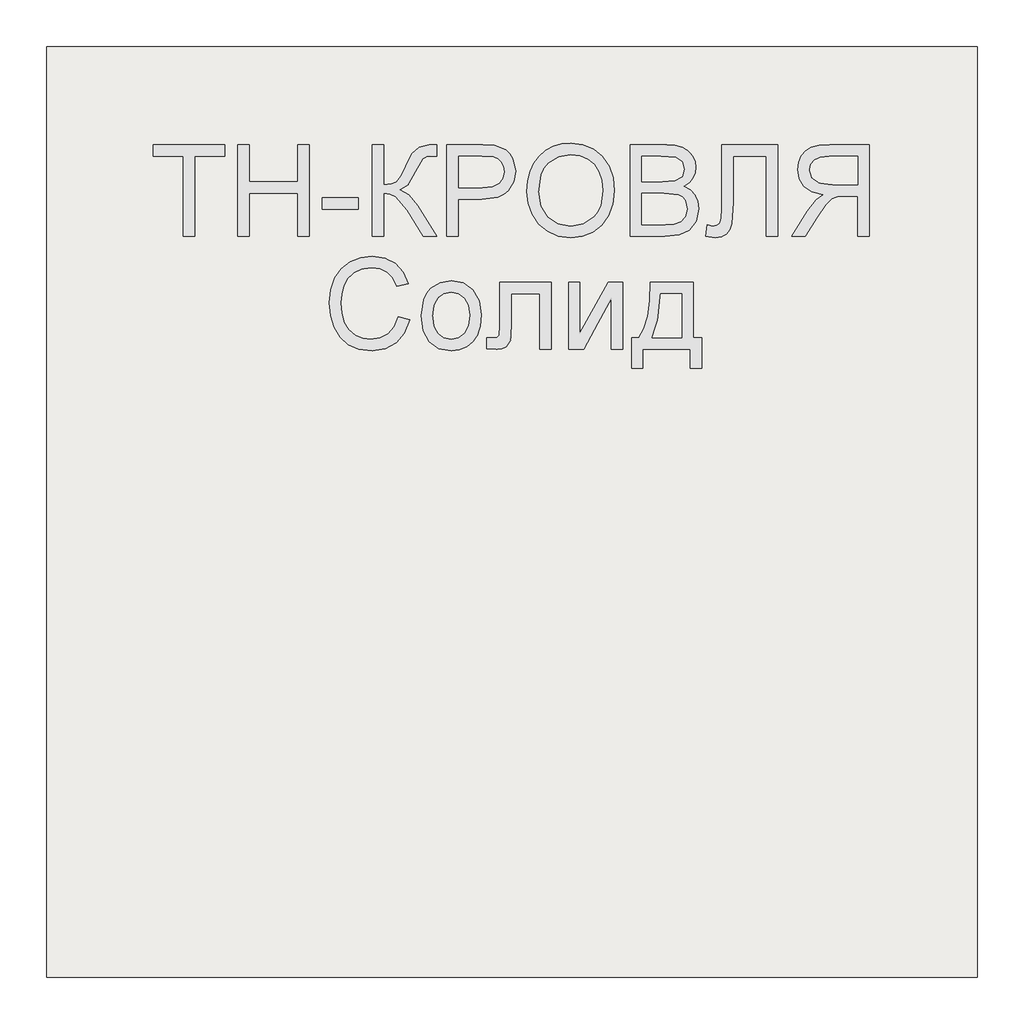
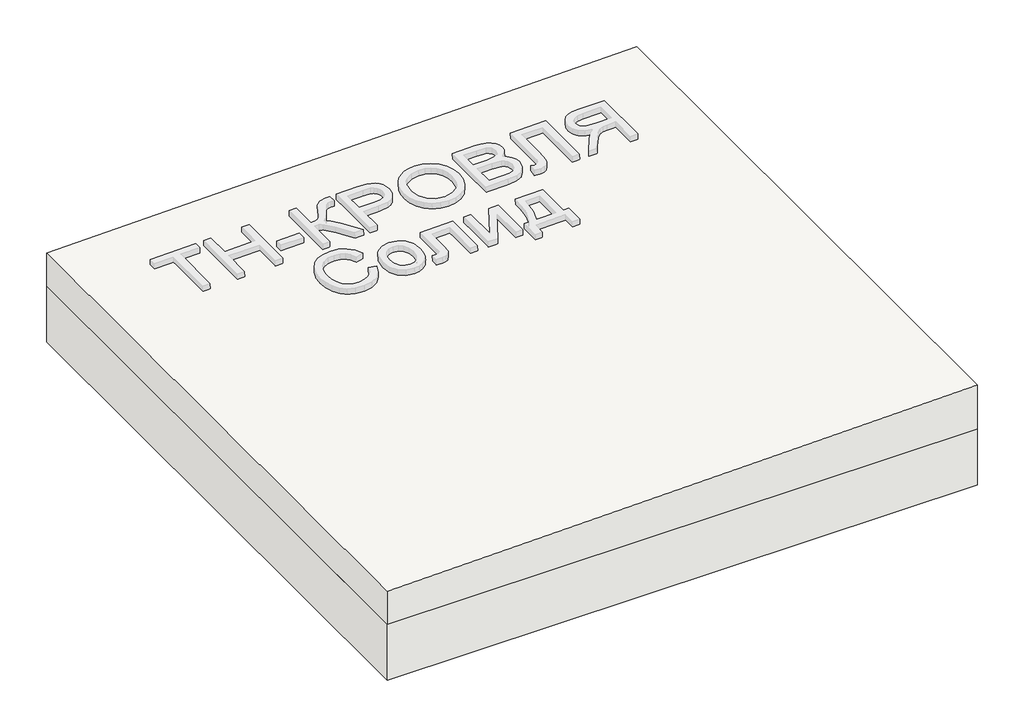
# One storey, part 1 of 3: 1 roof, 1 slab.
"""IFC4 building model written with IfcOpenShell, lengths in millimetres."""

from ifc_helpers import new_model, si_unit, frame, origin, place, context, project, spatial, polyline, outline, extrude, element, save

model = new_model("IFC4")

# Units and contexts
model_context = context("Model", 3, world=origin())
ifc_project = project(units=[si_unit("LENGTHUNIT", "METRE", prefix="MILLI")], contexts=[model_context])

# Site, building, storey
site = spatial("IfcSite", under=ifc_project)
building = spatial("IfcBuilding", under=site)
storey = spatial("IfcBuildingStorey", under=building, Elevation=0.0)

# Roof
placement = place(None, origin())
element("IfcRoof", 1, at=placement, inside=storey, context=model_context, shape_type="SweptSolid", body=[
    extrude(outline(polyline([(119.0, 57706.3955952), (0.0, 57706.3955952), (0.0, 59706.3955952), (159.0, 59706.3955952), (119.0, 57706.3955952)])), frame((0.0, -6302.6148653, 0.0), z_axis=(0.0, 1.0, 0.0), x_axis=(0.0, 0.0, 1.0)), (0.0, 0.0, 1.0), 2000.0),
])

# Slab
element("IfcSlab", 2, at=placement, inside=storey, context=model_context, shape_type="SweptSolid", body=[
    extrude(outline(polyline([(59706.3955952, -6302.6148653), (57706.3955952, -6302.6148653), (57706.3955952, -4302.6148653), (59706.3955952, -4302.6148653), (59706.3955952, -6302.6148653)])), frame((0.0, 0.0, -200.0), z_axis=(0.0, 0.0, 1.0), x_axis=(1.0, 0.0, 0.0)), (0.0, 0.0, 1.0), 200.0),
])

save(model, "model.ifc")
